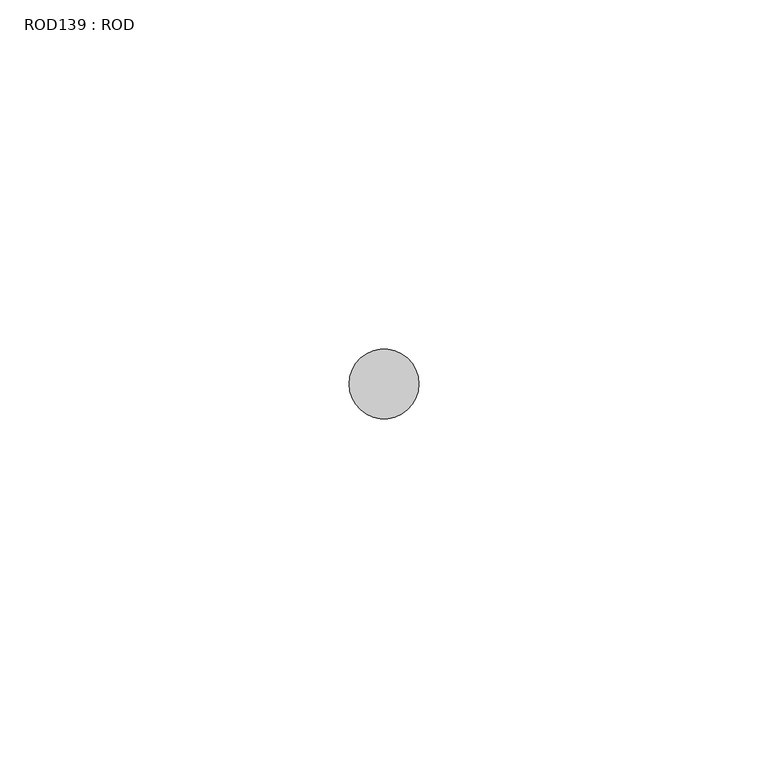
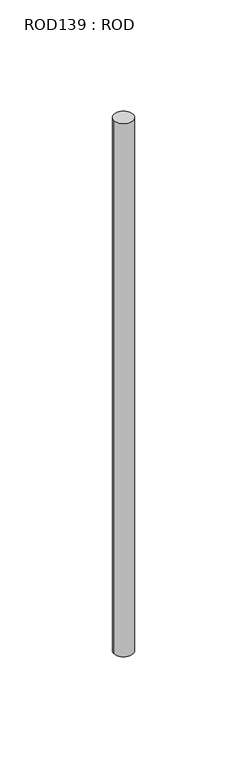
"""IFC4 building model written with IfcOpenShell, lengths in millimetres: proxy geometry, ROD139 : ROD."""

import ifcopenshell
import ifcopenshell.guid

model = None  # the IFC model being written
_history = None  # IfcOwnerHistory: only IFC2X3 demands one
_inside = {}  # id of a spatial element -> (the spatial element, [elements in it])
_under = {}  # id of a project, library or spatial element -> (it, [spatial elements below it])
_declared = {}  # id of a project -> (the project, [libraries it declares])
_typed = {}  # id of a type object -> (the type object, [elements of that type])
_made_of = {}  # id of a material, layer set ... -> (it, [elements and type objects made of it])


def new_model(schema):
    """Start an empty IFC model of exactly this schema.

    Asked for "IFC4X3", IfcOpenShell would pick the latest addendum, in which some entities
    have other attributes; the version numbers below select the first issue.
    IFC2X3 requires an IfcOwnerHistory on every rooted entity: one is made here for all.
    """
    global model, _history
    if schema == "IFC4X3":
        model = ifcopenshell.file(schema_version=(4, 3, 0, 0))
    else:
        model = ifcopenshell.file(schema=schema)
    _inside.clear()
    _under.clear()
    _declared.clear()
    _typed.clear()
    _made_of.clear()
    _history = None
    if model.schema == "IFC2X3":
        org = make("IfcOrganization", Name="unknown")
        user = make(
            "IfcPersonAndOrganization",
            ThePerson=make("IfcPerson", FamilyName="unknown"),
            TheOrganization=org,
        )
        app = make(
            "IfcApplication",
            ApplicationDeveloper=org,
            Version="unknown",
            ApplicationFullName="unknown",
            ApplicationIdentifier="unknown",
        )
        _history = make(
            "IfcOwnerHistory",
            OwningUser=user,
            OwningApplication=app,
            ChangeAction="ADDED",
            CreationDate=0,
        )
    return model


def make(cls, **values):
    """One entity of the class cls with the attributes given. An attribute that is None is left unset."""
    return model.create_entity(
        cls, **{name: value for name, value in values.items() if value is not None}
    )


def rooted(cls, **values):
    """An entity with a GlobalId (a new one), such as an element, a storey or a relation."""
    return make(cls, GlobalId=ifcopenshell.guid.new(), OwnerHistory=_history, **values)


def si_unit(unit_type, name, prefix=None):
    """IfcSIUnit, for example si_unit("LENGTHUNIT", "METRE", prefix="MILLI")."""
    return make("IfcSIUnit", UnitType=unit_type, Prefix=prefix, Name=name)


def assignment(units):
    """IfcUnitAssignment: the units of a project."""
    return None if units is None else make("IfcUnitAssignment", Units=units)


def point(xyz):
    """IfcCartesianPoint."""
    return None if xyz is None else make("IfcCartesianPoint", Coordinates=xyz)


def direction(xyz):
    """IfcDirection."""
    return None if xyz is None else make("IfcDirection", DirectionRatios=xyz)


def frame(location, z_axis=None, x_axis=None):
    """IfcAxis2Placement3D, a coordinate frame: its origin and axes. An axis left out is left unset."""
    return make(
        "IfcAxis2Placement3D",
        Location=point(location),
        Axis=direction(z_axis),
        RefDirection=direction(x_axis),
    )


def frame_2d(location, x_axis=None):
    """IfcAxis2Placement2D, a coordinate frame in the plane: its origin and x axis."""
    return make(
        "IfcAxis2Placement2D", Location=point(location), RefDirection=direction(x_axis)
    )


def origin():
    """The frame at (0, 0, 0) with its axes left unset."""
    return frame((0.0, 0.0, 0.0))


def place(relative_to, where):
    """IfcLocalPlacement: puts the frame where relative to a parent placement (None: the world)."""
    return make(
        "IfcLocalPlacement", PlacementRelTo=relative_to, RelativePlacement=where
    )


def context(
    kind, dimensions, precision=None, world=None, true_north=None, identifier=None
):
    """IfcGeometricRepresentationContext, for example the 3D "Model" context."""
    return make(
        "IfcGeometricRepresentationContext",
        ContextIdentifier=identifier,
        ContextType=kind,
        CoordinateSpaceDimension=dimensions,
        Precision=precision,
        WorldCoordinateSystem=world,
        TrueNorth=true_north,
    )


def project(units=None, contexts=None):
    """IfcProject with its units and contexts."""
    return rooted(
        "IfcProject",
        Name="project",
        RepresentationContexts=contexts,
        UnitsInContext=assignment(units),
    )


def spatial(cls, under=None, at=None, **own):
    """A site, building, storey or space (cls), placed at a placement, below another one or the project."""
    s = rooted(cls, ObjectPlacement=at, **own)
    if under is not None:
        _under.setdefault(under.id(), (under, []))[1].append(s)
    return s


def circle_curve(where, radius):
    """IfcCircle in the frame where."""
    return make("IfcCircle", Position=where, Radius=radius)


def trimmed(basis, trim1, trim2, sense, master):
    """IfcTrimmedCurve: the piece of a basis curve between two trims."""
    return make(
        "IfcTrimmedCurve",
        BasisCurve=basis,
        Trim1=trim1,
        Trim2=trim2,
        SenseAgreement=sense,
        MasterRepresentation=master,
    )


def segment(curve, same_sense, transition):
    """IfcCompositeCurveSegment."""
    return make(
        "IfcCompositeCurveSegment",
        Transition=transition,
        SameSense=same_sense,
        ParentCurve=curve,
    )


def composite_curve(segments, self_intersect=None):
    """IfcCompositeCurve: segments joined end to end."""
    return make("IfcCompositeCurve", Segments=segments, SelfIntersect=self_intersect)


def outline(outer, holes=None, kind="AREA"):
    """IfcArbitraryClosedProfileDef: a profile drawn as a closed curve; with holes, ...WithVoids."""
    if holes is None:
        return make("IfcArbitraryClosedProfileDef", ProfileType=kind, OuterCurve=outer)
    return make(
        "IfcArbitraryProfileDefWithVoids",
        ProfileType=kind,
        OuterCurve=outer,
        InnerCurves=holes,
    )


def extrude(swept, where, along, depth):
    """IfcExtrudedAreaSolid: the profile swept, set in the frame where, extruded along a direction by depth."""
    return make(
        "IfcExtrudedAreaSolid",
        SweptArea=swept,
        Position=where,
        ExtrudedDirection=direction(along),
        Depth=depth,
    )


def shape(context_of_items, identifier, shape_type, items):
    """IfcShapeRepresentation: the items that make up one representation, for example the "Body"."""
    return make(
        "IfcShapeRepresentation",
        ContextOfItems=context_of_items,
        RepresentationIdentifier=identifier,
        RepresentationType=shape_type,
        Items=items,
    )


def source(mapping_origin, context_of_items, identifier, shape_type, items):
    """IfcRepresentationMap: a shape defined once, which mapped items show again and again."""
    return make(
        "IfcRepresentationMap",
        MappingOrigin=mapping_origin,
        MappedRepresentation=shape(context_of_items, identifier, shape_type, items),
    )


def transform(
    local_origin,
    x_axis=None,
    y_axis=None,
    z_axis=None,
    scale=None,
    scale2=None,
    scale3=None,
    uniform=True,
):
    """IfcCartesianTransformationOperator3D, or its non-uniform kind. x_axis, y_axis, z_axis: its Axis1, 2, 3."""
    if uniform:
        return make(
            "IfcCartesianTransformationOperator3D",
            Axis1=direction(x_axis),
            Axis2=direction(y_axis),
            LocalOrigin=point(local_origin),
            Scale=scale,
            Axis3=direction(z_axis),
        )
    return make(
        "IfcCartesianTransformationOperator3DnonUniform",
        Axis1=direction(x_axis),
        Axis2=direction(y_axis),
        LocalOrigin=point(local_origin),
        Scale=scale,
        Axis3=direction(z_axis),
        Scale2=scale2,
        Scale3=scale3,
    )


def mapped(mapping_source, mapping_target):
    """IfcMappedItem: shows the shape of a source again, moved by a transform."""
    return make(
        "IfcMappedItem", MappingSource=mapping_source, MappingTarget=mapping_target
    )


def made_of(thing, what):
    """Note that an element or type object is made of a material, layer set ...; save() writes the relation."""
    if what is not None:
        _made_of.setdefault(what.id(), (what, []))[1].append(thing)
    return thing


def element(
    cls,
    number,
    at=None,
    inside=None,
    cuts=None,
    type_object=None,
    material=None,
    context=None,
    identifier="Body",
    shape_type=None,
    held_by="IfcProductDefinitionShape",
    body=None,
    shapes=None,
    **own,
):
    """One element of the class cls, such as IfcWall. Its Tag is "e" and its number.

    at: its placement. inside: the storey or other place that contains it. cuts: it is an
    opening in that element (IfcRelVoidsElement). A single representation is given by context,
    identifier, shape_type and body (its items); several are given by shapes. held_by: the class
    of the entity that holds the representations. save() writes the other relations.
    """
    e = rooted(cls, Tag="e%d" % number, ObjectPlacement=at, **own)
    if body is not None:
        shapes = [shape(context, identifier, shape_type, body)]
    if shapes is not None:
        e.Representation = make(held_by, Representations=shapes)
    if inside is not None:
        _inside.setdefault(inside.id(), (inside, []))[1].append(e)
    if cuts is not None:
        rooted(
            "IfcRelVoidsElement", RelatingBuildingElement=cuts, RelatedOpeningElement=e
        )
    if type_object is not None:
        _typed.setdefault(type_object.id(), (type_object, []))[1].append(e)
    return made_of(e, material)


def aggregate(whole, parts):
    """IfcRelAggregates: a whole, such as a stair, and the parts it consists of."""
    return rooted("IfcRelAggregates", RelatingObject=whole, RelatedObjects=parts)


def save(model, path):
    """Write the relations noted so far, then the file.

    IfcRelAggregates (storeys below a building ...), IfcRelContainedInSpatialStructure (elements
    in a storey), IfcRelDefinesByType, IfcRelAssociatesMaterial and IfcRelDeclares: one each for
    every whole, place, type object, material and project.
    """
    for whole, parts in _under.values():
        aggregate(whole, parts)
    for where, things in _inside.values():
        rooted(
            "IfcRelContainedInSpatialStructure",
            RelatedElements=things,
            RelatingStructure=where,
        )
    for kind, things in _typed.values():
        rooted("IfcRelDefinesByType", RelatedObjects=things, RelatingType=kind)
    for what, things in _made_of.values():
        rooted("IfcRelAssociatesMaterial", RelatedObjects=things, RelatingMaterial=what)
    for by, libraries in _declared.values():
        rooted("IfcRelDeclares", RelatingContext=by, RelatedDefinitions=libraries)
    model.write(path)


def rod139_rod_8b767fd1(model_context):
    return source(origin(), model_context, "Body", "SweptSolid", [
        extrude(outline(composite_curve([segment(trimmed(circle_curve(frame_2d((6332.7784384, -12414.6300853)), 5.0), [point((6327.7784384, -12414.6300853))], [point((6337.7784384, -12414.6300853))], False, "CARTESIAN"), True, "CONTINUOUS"), segment(trimmed(circle_curve(frame_2d((6332.7784384, -12414.6300853)), 5.0), [point((6337.7784384, -12414.6300853))], [point((6327.7784384, -12414.6300853))], False, "CARTESIAN"), True, "CONTINUOUS")], self_intersect=False)), frame((0.0, 0.0, -208.6608845), z_axis=(0.0, 0.0, 1.0), x_axis=(1.0, 0.0, 0.0)), (0.0, 0.0, 1.0), 298.9028972),
    ])


if __name__ == "__main__":
    model = new_model("IFC4")
    model_context = context("Model", 3, world=origin())
    ifc_project = project(units=[si_unit("LENGTHUNIT", "METRE", prefix="MILLI")], contexts=[model_context])
    site = spatial("IfcSite", under=ifc_project)
    building = spatial("IfcBuilding", under=site)
    placement = place(None, origin())
    rod139_rod_shape = rod139_rod_8b767fd1(model_context)
    element("IfcBuildingElementProxy", 1, Name="ROD139 : ROD", ObjectType="ROD139 : ROD", at=placement, inside=building, context=model_context, shape_type="MappedRepresentation", body=[
        mapped(rod139_rod_shape, transform((0.0, 0.0, 0.0), x_axis=(1.0, 0.0, 0.0), y_axis=(0.0, 1.0, 0.0), z_axis=(0.0, 0.0, 1.0))),
    ])
    save(model, "model.ifc")
